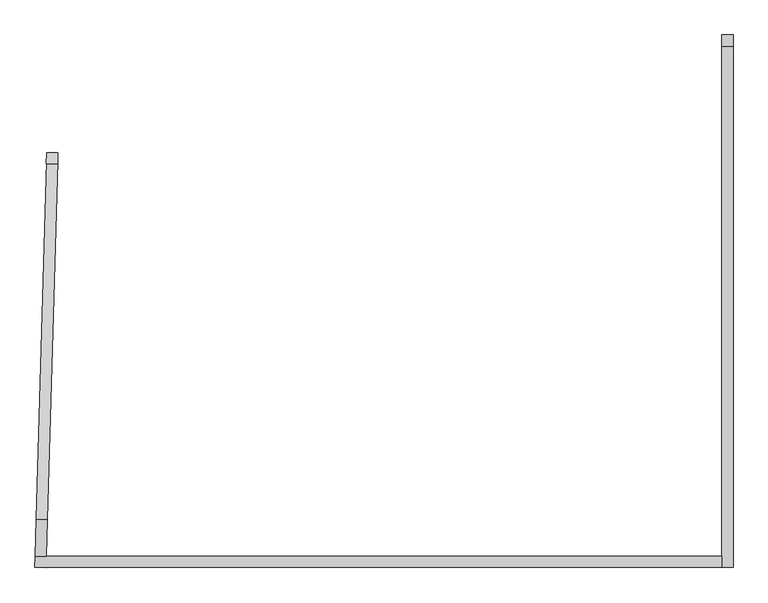
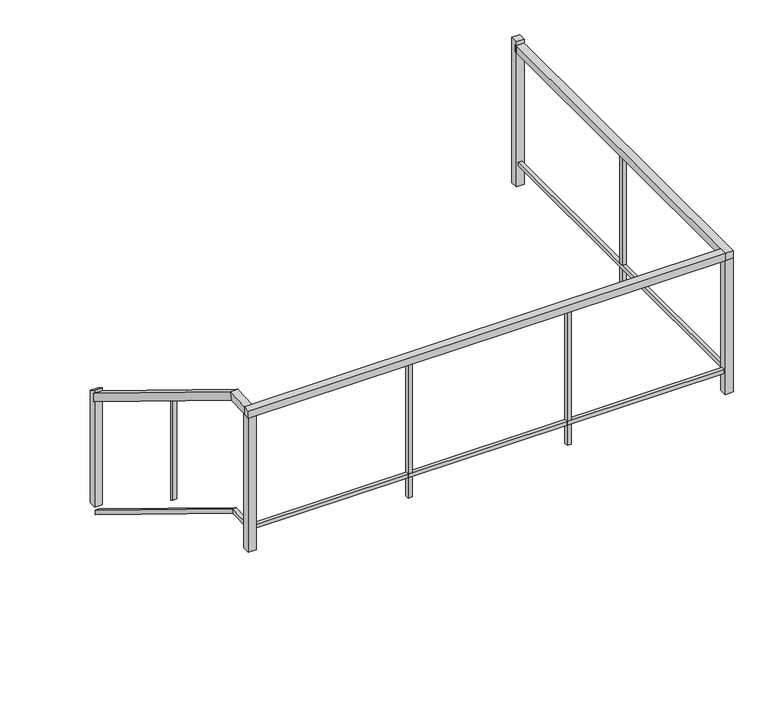
"""IFC4 building model written with IfcOpenShell, lengths in millimetres: railing geometry."""

from ifc_helpers import new_model, si_unit, frame, origin, place, context, project, spatial, polyline, outline, extrude, faceted_brep, source, transform, mapped, element, save


def railing_0c79386b(model_context):
    return source(origin(), model_context, "Body", "SolidModel", [
        faceted_brep([(-19971.2693712, 121152.4068373, 10302.6387915), (-19920.4901422, 121150.9542851, 10302.6387915), (-19920.4901422, 121150.9542851, 10242.8120652), (-19971.2693712, 121152.4068373, 10242.8120652), (-20017.7265786, 119528.3266859, 11313.3254283), (-19966.9473497, 119526.8741337, 11313.3254283), (-19967.362272, 119512.3690177, 11262.5254283), (-20018.141501, 119513.8215698, 11262.5254283), (-20022.4989605, 119361.4907726, 11313.3254283), (-20022.4989605, 119361.4907726, 11262.5254283), (-19971.6781809, 119361.4907726, 11262.5254283), (-19971.6781809, 119361.4907726, 11313.3254283)], [[[0, 1, 2, 3]], [[1, 0, 4, 5]], [[2, 1, 5, 6]], [[3, 2, 6, 7]], [[0, 3, 7, 4]], [[8, 9, 10, 11]], [[5, 4, 8, 11]], [[6, 5, 11, 10]], [[7, 6, 10, 9]], [[4, 7, 9, 8]]]),
        faceted_brep([(-20023.9521068, 119310.6907726, 11313.3254283), (-20022.4989605, 119361.4907726, 11313.3254283), (-20022.4989605, 119361.4907726, 11262.5254283), (-20023.9521068, 119310.6907726, 11262.5254283), (-16910.8446426, 119310.6907726, 11313.3254283), (-16910.8446426, 119310.6907726, 11262.5254283), (-16910.8446426, 119361.4907726, 11262.5254283), (-16910.8446426, 119361.4907726, 11313.3254283)], [[[0, 1, 2, 3]], [[4, 5, 6, 7]], [[1, 0, 4, 7]], [[2, 1, 7, 6]], [[3, 2, 6, 5]], [[0, 3, 5, 4]]]),
        faceted_brep([(-19958.5745639, 121152.0436992, 9490.0821099), (-19933.1849495, 121151.3174231, 9490.0821099), (-19933.1849495, 121151.3174231, 9460.1687468), (-19958.5745639, 121152.0436992, 9460.1687468), (-20005.135502, 119524.3372688, 10503.0254283), (-19979.7458875, 119523.6109927, 10503.0254283), (-19979.9533487, 119516.3584347, 10477.6254283), (-20005.3429632, 119517.0847108, 10477.6254283), (-20010.1570522, 119348.7907726, 10503.0254283), (-20010.1570522, 119348.7907726, 10477.6254283), (-19984.7466624, 119348.7907726, 10477.6254283), (-19984.7466624, 119348.7907726, 10503.0254283)], [[[0, 1, 2, 3]], [[1, 0, 4, 5]], [[2, 1, 5, 6]], [[3, 2, 6, 7]], [[0, 3, 7, 4]], [[8, 9, 10, 11]], [[5, 4, 8, 11]], [[6, 5, 11, 10]], [[7, 6, 10, 9]], [[4, 7, 9, 8]]]),
        faceted_brep([(-20010.8836253, 119323.3907726, 10503.0254283), (-20010.1570522, 119348.7907726, 10503.0254283), (-20010.1570522, 119348.7907726, 10477.6254283), (-20010.8836253, 119323.3907726, 10477.6254283), (-16898.1446426, 119323.3907726, 10503.0254283), (-16898.1446426, 119323.3907726, 10477.6254283), (-16898.1446426, 119348.7907726, 10477.6254283), (-16898.1446426, 119348.7907726, 10503.0254283)], [[[0, 1, 2, 3]], [[4, 5, 6, 7]], [[1, 0, 4, 7]], [[2, 1, 7, 6]], [[3, 2, 6, 5]], [[0, 3, 5, 4]]]),
        faceted_brep([(-16860.0446426, 119310.6907726, 11313.3254283), (-16910.8446426, 119310.6907726, 11313.3254283), (-16910.8446426, 119310.6907726, 11262.5254283), (-16860.0446426, 119310.6907726, 11262.5254283), (-16860.0446426, 121685.5104381, 11313.3254283), (-16860.0446426, 121685.5104381, 11262.5254283), (-16910.8446426, 121685.5104381, 11262.5254283), (-16910.8446426, 121685.5104381, 11313.3254283)], [[[0, 1, 2, 3]], [[4, 5, 6, 7]], [[1, 0, 4, 7]], [[2, 1, 7, 6]], [[3, 2, 6, 5]], [[0, 3, 5, 4]]]),
        faceted_brep([(-16872.7446426, 119323.3907726, 10503.0254283), (-16898.1446426, 119323.3907726, 10503.0254283), (-16898.1446426, 119323.3907726, 10477.6254283), (-16872.7446426, 119323.3907726, 10477.6254283), (-16872.7446426, 121685.5104381, 10503.0254283), (-16872.7446426, 121685.5104381, 10477.6254283), (-16898.1446426, 121685.5104381, 10477.6254283), (-16898.1446426, 121685.5104381, 10503.0254283)], [[[0, 1, 2, 3]], [[4, 5, 6, 7]], [[1, 0, 4, 7]], [[2, 1, 7, 6]], [[3, 2, 6, 5]], [[0, 3, 5, 4]]]),
        extrude(outline(polyline([(-16898.1446426, 120498.1006053), (-16898.1446426, 120523.5006053), (-16872.7446426, 120523.5006053), (-16872.7446426, 120498.1006053), (-16898.1446426, 120498.1006053)])), frame((0.0, 0.0, 10337.9254283), z_axis=(0.0, 0.0, 1.0), x_axis=(1.0, 0.0, 0.0)), (0.0, 0.0, 1.0), 962.7),
        extrude(outline(polyline([(-17935.6014764, 119348.7907726), (-17910.2014764, 119348.7907726), (-17910.2014764, 119323.3907726), (-17935.6014764, 119323.3907726), (-17935.6014764, 119348.7907726)])), frame((0.0, 0.0, 10337.9254283), z_axis=(0.0, 0.0, 1.0), x_axis=(1.0, 0.0, 0.0)), (0.0, 0.0, 1.0), 962.7),
        extrude(outline(polyline([(-18973.0583101, 119348.7907726), (-18947.6583101, 119348.7907726), (-18947.6583101, 119323.3907726), (-18973.0583101, 119323.3907726), (-18973.0583101, 119348.7907726)])), frame((0.0, 0.0, 10337.9254283), z_axis=(0.0, 0.0, 1.0), x_axis=(1.0, 0.0, 0.0)), (0.0, 0.0, 1.0), 962.7),
        extrude(outline(polyline([(-29.9133632, 0.0), (0.0, 0.0), (-386.371688, -621.1176071), (-416.2850511, -621.1176071), (-29.9133632, 0.0)])), frame((-19959.5157811, 120230.8277216, 10858.2583885), z_axis=(-0.9995911209452317, 0.02859354695478183, 0.0), x_axis=(-0.024279319222974736, -0.8487716461431081, 0.5282018623230968)), (0.0, 0.0, 1.0), 25.4),
        extrude(outline(polyline([(-16910.8446426, 119361.4907726), (-16860.0446426, 119361.4907726), (-16860.0446426, 119310.6907726), (-16910.8446426, 119310.6907726), (-16910.8446426, 119361.4907726)])), frame((0.0, 0.0, 10337.9254283), z_axis=(0.0, 0.0, 1.0), x_axis=(1.0, 0.0, 0.0)), (0.0, 0.0, 1.0), 924.6),
        extrude(outline(polyline([(-19971.6992533, 119360.754111), (-19973.1518055, 119309.974882), (-20023.9310344, 119311.4274342), (-20022.4784822, 119362.2066632), (-19971.6992533, 119360.754111)])), frame((0.0, 0.0, 10337.9254283), z_axis=(0.0, 0.0, 1.0), x_axis=(1.0, 0.0, 0.0)), (0.0, 0.0, 1.0), 924.6),
        extrude(outline(polyline([(-16910.8446426, 121672.8104381), (-16910.8446426, 121723.6104381), (-16860.0446426, 121723.6104381), (-16860.0446426, 121672.8104381), (-16910.8446426, 121672.8104381)])), frame((0.0, 0.0, 10337.9254283), z_axis=(0.0, 0.0, 1.0), x_axis=(1.0, 0.0, 0.0)), (0.0, 0.0, 1.0), 1000.9),
        extrude(outline(polyline([(-59.8267263, 1e-07), (0.0, 0.0), (-427.2097439, -686.7674371), (-470.3449807, -659.9347824), (-59.8267263, 1e-07)])), frame((-19920.8532803, 121138.2594778, 10331.5255754), z_axis=(-0.9995911209452317, 0.02859354695478183, 0.0), x_axis=(-0.024279319222974705, -0.848771646143107, 0.5282018623230984)), (0.0, 0.0, 1.0), 50.8),
    ])


if __name__ == "__main__":
    model = new_model("IFC4")
    model_context = context("Model", 3, world=origin())
    ifc_project = project(units=[si_unit("LENGTHUNIT", "METRE", prefix="MILLI")], contexts=[model_context])
    site = spatial("IfcSite", under=ifc_project)
    building = spatial("IfcBuilding", under=site)
    placement = place(None, origin())
    railing_shape = railing_0c79386b(model_context)
    element("IfcRailing", 1, at=placement, inside=building, context=model_context, shape_type="MappedRepresentation", body=[
        mapped(railing_shape, transform((0.0, 0.0, 0.0), x_axis=(1.0, 0.0, 0.0), y_axis=(0.0, 1.0, 0.0), z_axis=(0.0, 0.0, 1.0))),
    ])
    save(model, "model.ifc")
